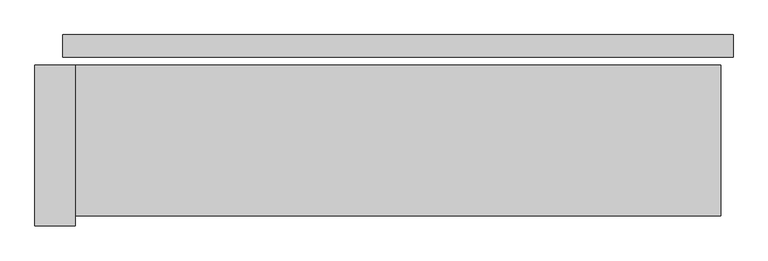
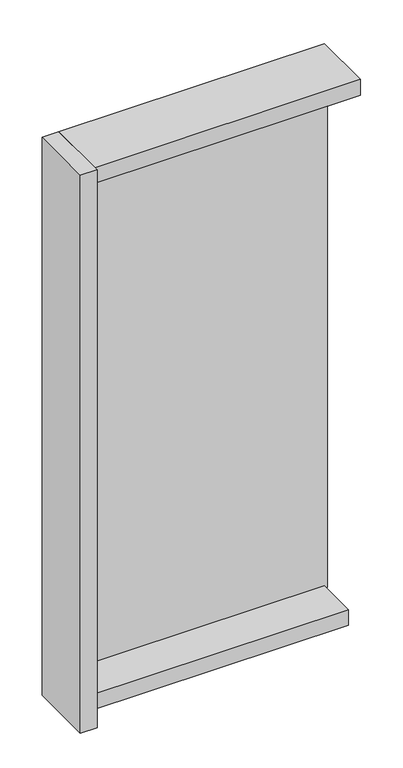
"""IFC4 building model written with IfcOpenShell, lengths in millimetres: plate geometry."""

from ifc_helpers import new_model, si_unit, frame, origin, origin_with_axes, place, context, project, spatial, polyline, outline, extrude, source, transform, mapped, element, save


def plate_07abf0dc(model_context):
    return source(origin(), model_context, "Body", "SweptSolid", [
        extrude(outline(polyline([(666.0, 0.0), (666.0, -44.0), (-666.0, -44.0), (-666.0, 0.0), (666.0, 0.0)])), origin_with_axes(), (0.0, 0.0, 1.0), 2732.0),
        extrude(outline(polyline([(-641.0, -60.0), (-641.0, -380.0), (-721.0, -380.0), (-721.0, -60.0), (-641.0, -60.0)])), frame((0.0, 0.0, -55.0), z_axis=(0.0, 0.0, 1.0), x_axis=(1.0, 0.0, 0.0)), (0.0, 0.0, 1.0), 2842.0),
        extrude(outline(polyline([(641.0, -260.0), (-641.0, -260.0), (-641.0, -60.0), (641.0, -60.0), (641.0, -260.0)])), frame((0.0, 0.0, -55.0), z_axis=(0.0, 0.0, 1.0), x_axis=(1.0, 0.0, 0.0)), (0.0, 0.0, 1.0), 80.0),
        extrude(outline(polyline([(641.0, -60.0), (641.0, -360.0), (-641.0, -360.0), (-641.0, -60.0), (641.0, -60.0)])), frame((0.0, 0.0, 2707.0), z_axis=(0.0, 0.0, 1.0), x_axis=(1.0, 0.0, 0.0)), (0.0, 0.0, 1.0), 80.0),
    ])


if __name__ == "__main__":
    model = new_model("IFC4")
    model_context = context("Model", 3, world=origin())
    ifc_project = project(units=[si_unit("LENGTHUNIT", "METRE", prefix="MILLI")], contexts=[model_context])
    site = spatial("IfcSite", under=ifc_project)
    building = spatial("IfcBuilding", under=site)
    placement = place(None, origin())
    plate_shape = plate_07abf0dc(model_context)
    element("IfcPlate", 1, at=placement, inside=building, context=model_context, shape_type="MappedRepresentation", body=[
        mapped(plate_shape, transform((0.0, 0.0, 0.0), x_axis=(1.0, 0.0, 0.0), y_axis=(0.0, 1.0, 0.0), z_axis=(0.0, 0.0, 1.0))),
    ])
    save(model, "model.ifc")
